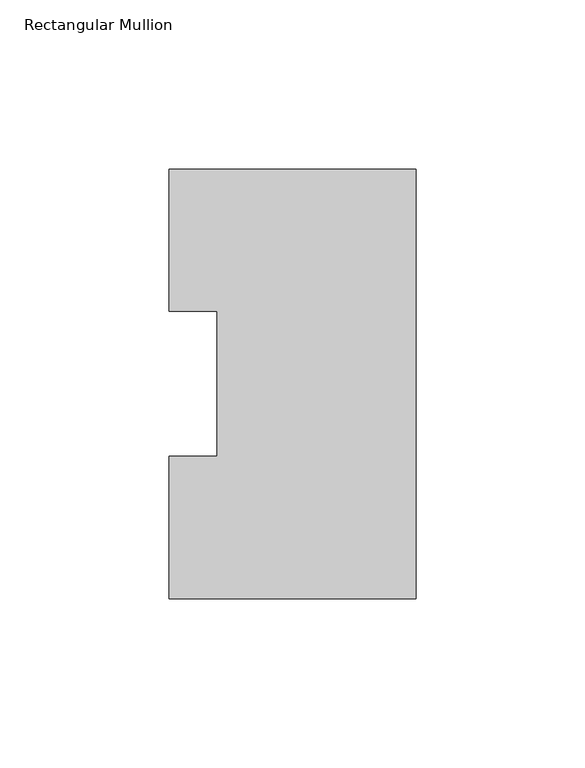
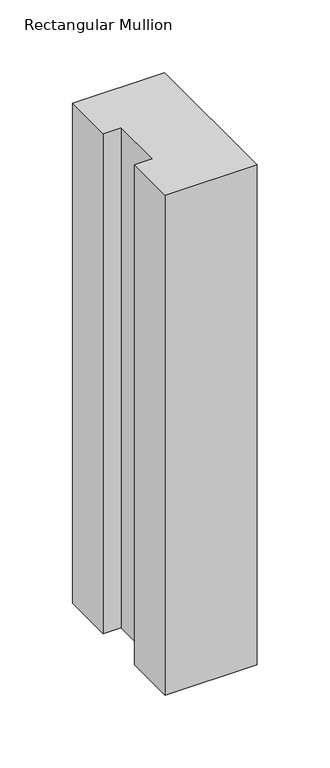
"""IFC4 building model written with IfcOpenShell, lengths in millimetres: member geometry, Rectangular Mullion."""

from ifc_helpers import new_model, si_unit, frame, origin, place, context, project, spatial, polyline, outline, extrude, source, transform, mapped, element, save


def rectangular_mullion_12c5939a(model_context):
    return source(origin(), model_context, "Body", "SweptSolid", [
        extrude(outline(polyline([(0.0, 126.7086937), (0.0, -0.2913063), (-73.025, -0.2913063), (-73.025, 41.7837937), (-58.7375, 41.7837937), (-58.7375, 84.6335938), (-73.025, 84.6335938), (-73.025, 126.7086937), (0.0, 126.7086937)])), frame((0.0, 0.0, -419.1), z_axis=(0.0, 0.0, 1.0), x_axis=(1.0, 0.0, 0.0)), (0.0, 0.0, 1.0), 419.1),
    ])


if __name__ == "__main__":
    model = new_model("IFC4")
    model_context = context("Model", 3, world=origin())
    ifc_project = project(units=[si_unit("LENGTHUNIT", "METRE", prefix="MILLI")], contexts=[model_context])
    site = spatial("IfcSite", under=ifc_project)
    building = spatial("IfcBuilding", under=site)
    placement = place(None, origin())
    rectangular_mullion_shape = rectangular_mullion_12c5939a(model_context)
    element("IfcMember", 1, ObjectType="Rectangular Mullion", at=placement, inside=building, context=model_context, shape_type="MappedRepresentation", body=[
        mapped(rectangular_mullion_shape, transform((0.0, 0.0, 0.0), x_axis=(1.0, 0.0, 0.0), y_axis=(0.0, 1.0, 0.0), z_axis=(0.0, 0.0, 1.0))),
    ])
    save(model, "model.ifc")
